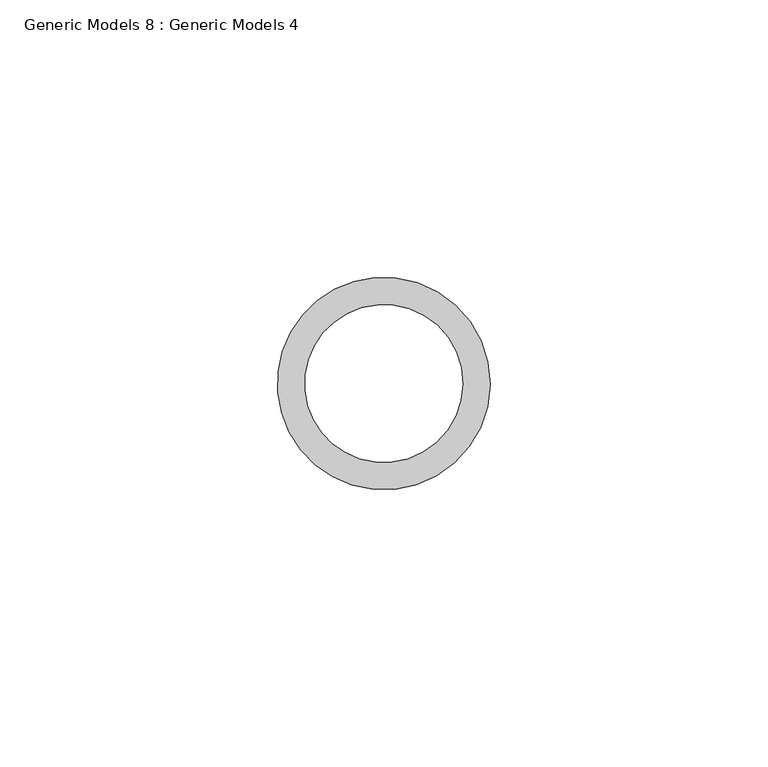
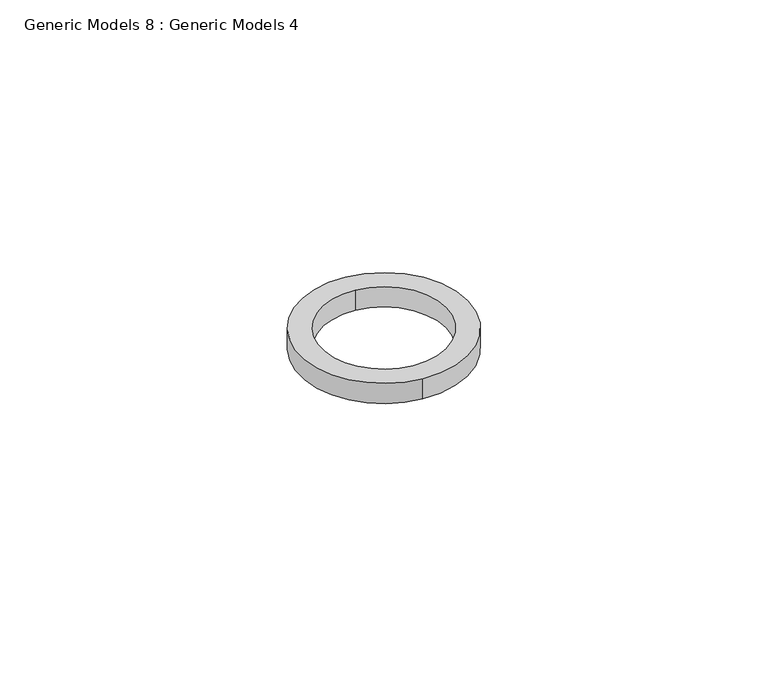
"""IFC4 building model written with IfcOpenShell, lengths in millimetres: proxy geometry, Generic Models 8 : Generic Models 4."""

from ifc_helpers import new_model, si_unit, point, frame, frame_2d, origin, place, context, project, spatial, circle_curve, trimmed, segment, composite_curve, outline, extrude, source, transform, mapped, element, save


def generic_models_8_generic_models_4_d4ebb423(model_context):
    return source(origin(), model_context, "Body", "SweptSolid", [
        extrude(outline(composite_curve([segment(trimmed(circle_curve(frame_2d((31414.3892719, -15594.2051794)), 19.1318308), [point((31412.2611864, -15613.2182855))], [point((31416.5173575, -15575.1920734))], False, "CARTESIAN"), True, "CONTINUOUS"), segment(trimmed(circle_curve(frame_2d((31414.3892719, -15594.2051794)), 19.1318308), [point((31416.5173575, -15575.1920734))], [point((31412.2611864, -15613.2182855))], False, "CARTESIAN"), True, "CONTINUOUS")], self_intersect=False), holes=[composite_curve([segment(trimmed(circle_curve(frame_2d((31414.3892719, -15594.2051794)), 14.2122074), [point((31412.8084095, -15608.3291913))], [point((31415.9701344, -15580.0811675))], True, "CARTESIAN"), True, "CONTINUOUS"), segment(trimmed(circle_curve(frame_2d((31414.3892719, -15594.2051794)), 14.2122074), [point((31415.9701344, -15580.0811675))], [point((31412.8084095, -15608.3291913))], True, "CARTESIAN"), True, "CONTINUOUS")], self_intersect=False)]), frame((0.0, 0.0, 858.220023), z_axis=(0.0, 0.0, 1.0), x_axis=(1.0, 0.0, 0.0)), (0.0, 0.0, 1.0), 4.891176),
    ])


if __name__ == "__main__":
    model = new_model("IFC4")
    model_context = context("Model", 3, world=origin())
    ifc_project = project(units=[si_unit("LENGTHUNIT", "METRE", prefix="MILLI")], contexts=[model_context])
    site = spatial("IfcSite", under=ifc_project)
    building = spatial("IfcBuilding", under=site)
    placement = place(None, origin())
    generic_models_8_generic_models_4_shape = generic_models_8_generic_models_4_d4ebb423(model_context)
    element("IfcBuildingElementProxy", 1, Name="Generic Models 8 : Generic Models 4", ObjectType="Generic Models 8 : Generic Models 4", at=placement, inside=building, context=model_context, shape_type="MappedRepresentation", body=[
        mapped(generic_models_8_generic_models_4_shape, transform((0.0, 0.0, 0.0), x_axis=(1.0, 0.0, 0.0), y_axis=(0.0, 1.0, 0.0), z_axis=(0.0, 0.0, 1.0))),
    ])
    save(model, "model.ifc")
